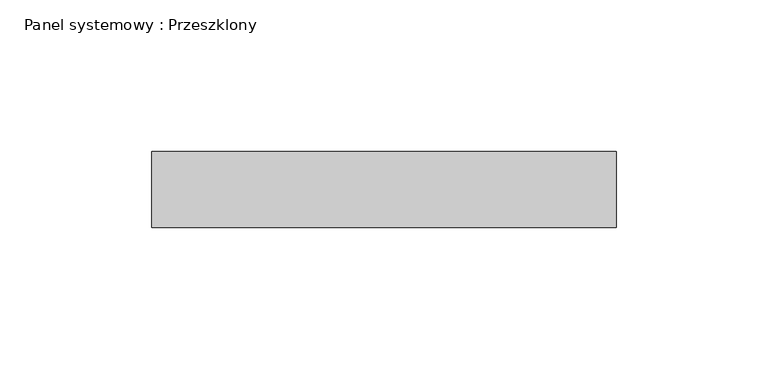
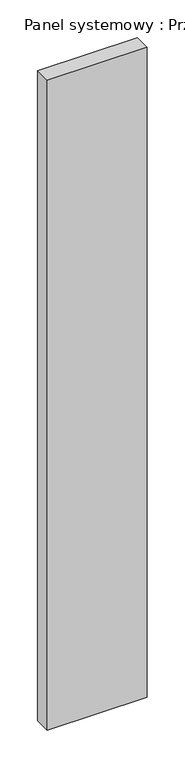
"""IFC4 building model written with IfcOpenShell, lengths in millimetres: plate geometry, Panel systemowy : Przeszklony."""

import ifcopenshell
import ifcopenshell.guid

model = None  # the IFC model being written
_history = None  # IfcOwnerHistory: only IFC2X3 demands one
_inside = {}  # id of a spatial element -> (the spatial element, [elements in it])
_under = {}  # id of a project, library or spatial element -> (it, [spatial elements below it])
_declared = {}  # id of a project -> (the project, [libraries it declares])
_typed = {}  # id of a type object -> (the type object, [elements of that type])
_made_of = {}  # id of a material, layer set ... -> (it, [elements and type objects made of it])


def new_model(schema):
    """Start an empty IFC model of exactly this schema.

    Asked for "IFC4X3", IfcOpenShell would pick the latest addendum, in which some entities
    have other attributes; the version numbers below select the first issue.
    IFC2X3 requires an IfcOwnerHistory on every rooted entity: one is made here for all.
    """
    global model, _history
    if schema == "IFC4X3":
        model = ifcopenshell.file(schema_version=(4, 3, 0, 0))
    else:
        model = ifcopenshell.file(schema=schema)
    _inside.clear()
    _under.clear()
    _declared.clear()
    _typed.clear()
    _made_of.clear()
    _history = None
    if model.schema == "IFC2X3":
        org = make("IfcOrganization", Name="unknown")
        user = make(
            "IfcPersonAndOrganization",
            ThePerson=make("IfcPerson", FamilyName="unknown"),
            TheOrganization=org,
        )
        app = make(
            "IfcApplication",
            ApplicationDeveloper=org,
            Version="unknown",
            ApplicationFullName="unknown",
            ApplicationIdentifier="unknown",
        )
        _history = make(
            "IfcOwnerHistory",
            OwningUser=user,
            OwningApplication=app,
            ChangeAction="ADDED",
            CreationDate=0,
        )
    return model


def make(cls, **values):
    """One entity of the class cls with the attributes given. An attribute that is None is left unset."""
    return model.create_entity(
        cls, **{name: value for name, value in values.items() if value is not None}
    )


def rooted(cls, **values):
    """An entity with a GlobalId (a new one), such as an element, a storey or a relation."""
    return make(cls, GlobalId=ifcopenshell.guid.new(), OwnerHistory=_history, **values)


def si_unit(unit_type, name, prefix=None):
    """IfcSIUnit, for example si_unit("LENGTHUNIT", "METRE", prefix="MILLI")."""
    return make("IfcSIUnit", UnitType=unit_type, Prefix=prefix, Name=name)


def assignment(units):
    """IfcUnitAssignment: the units of a project."""
    return None if units is None else make("IfcUnitAssignment", Units=units)


def point(xyz):
    """IfcCartesianPoint."""
    return None if xyz is None else make("IfcCartesianPoint", Coordinates=xyz)


def direction(xyz):
    """IfcDirection."""
    return None if xyz is None else make("IfcDirection", DirectionRatios=xyz)


def frame(location, z_axis=None, x_axis=None):
    """IfcAxis2Placement3D, a coordinate frame: its origin and axes. An axis left out is left unset."""
    return make(
        "IfcAxis2Placement3D",
        Location=point(location),
        Axis=direction(z_axis),
        RefDirection=direction(x_axis),
    )


def origin():
    """The frame at (0, 0, 0) with its axes left unset."""
    return frame((0.0, 0.0, 0.0))


def origin_with_axes():
    """The frame at (0, 0, 0) with the z axis (0, 0, 1) and the x axis (1, 0, 0) written out."""
    return frame((0.0, 0.0, 0.0), z_axis=(0.0, 0.0, 1.0), x_axis=(1.0, 0.0, 0.0))


def place(relative_to, where):
    """IfcLocalPlacement: puts the frame where relative to a parent placement (None: the world)."""
    return make(
        "IfcLocalPlacement", PlacementRelTo=relative_to, RelativePlacement=where
    )


def context(
    kind, dimensions, precision=None, world=None, true_north=None, identifier=None
):
    """IfcGeometricRepresentationContext, for example the 3D "Model" context."""
    return make(
        "IfcGeometricRepresentationContext",
        ContextIdentifier=identifier,
        ContextType=kind,
        CoordinateSpaceDimension=dimensions,
        Precision=precision,
        WorldCoordinateSystem=world,
        TrueNorth=true_north,
    )


def project(units=None, contexts=None):
    """IfcProject with its units and contexts."""
    return rooted(
        "IfcProject",
        Name="project",
        RepresentationContexts=contexts,
        UnitsInContext=assignment(units),
    )


def spatial(cls, under=None, at=None, **own):
    """A site, building, storey or space (cls), placed at a placement, below another one or the project."""
    s = rooted(cls, ObjectPlacement=at, **own)
    if under is not None:
        _under.setdefault(under.id(), (under, []))[1].append(s)
    return s


def polyline(points):
    """IfcPolyline through the points."""
    return make("IfcPolyline", Points=[point(p) for p in points])


def outline(outer, holes=None, kind="AREA"):
    """IfcArbitraryClosedProfileDef: a profile drawn as a closed curve; with holes, ...WithVoids."""
    if holes is None:
        return make("IfcArbitraryClosedProfileDef", ProfileType=kind, OuterCurve=outer)
    return make(
        "IfcArbitraryProfileDefWithVoids",
        ProfileType=kind,
        OuterCurve=outer,
        InnerCurves=holes,
    )


def extrude(swept, where, along, depth):
    """IfcExtrudedAreaSolid: the profile swept, set in the frame where, extruded along a direction by depth."""
    return make(
        "IfcExtrudedAreaSolid",
        SweptArea=swept,
        Position=where,
        ExtrudedDirection=direction(along),
        Depth=depth,
    )


def shape(context_of_items, identifier, shape_type, items):
    """IfcShapeRepresentation: the items that make up one representation, for example the "Body"."""
    return make(
        "IfcShapeRepresentation",
        ContextOfItems=context_of_items,
        RepresentationIdentifier=identifier,
        RepresentationType=shape_type,
        Items=items,
    )


def source(mapping_origin, context_of_items, identifier, shape_type, items):
    """IfcRepresentationMap: a shape defined once, which mapped items show again and again."""
    return make(
        "IfcRepresentationMap",
        MappingOrigin=mapping_origin,
        MappedRepresentation=shape(context_of_items, identifier, shape_type, items),
    )


def transform(
    local_origin,
    x_axis=None,
    y_axis=None,
    z_axis=None,
    scale=None,
    scale2=None,
    scale3=None,
    uniform=True,
):
    """IfcCartesianTransformationOperator3D, or its non-uniform kind. x_axis, y_axis, z_axis: its Axis1, 2, 3."""
    if uniform:
        return make(
            "IfcCartesianTransformationOperator3D",
            Axis1=direction(x_axis),
            Axis2=direction(y_axis),
            LocalOrigin=point(local_origin),
            Scale=scale,
            Axis3=direction(z_axis),
        )
    return make(
        "IfcCartesianTransformationOperator3DnonUniform",
        Axis1=direction(x_axis),
        Axis2=direction(y_axis),
        LocalOrigin=point(local_origin),
        Scale=scale,
        Axis3=direction(z_axis),
        Scale2=scale2,
        Scale3=scale3,
    )


def mapped(mapping_source, mapping_target):
    """IfcMappedItem: shows the shape of a source again, moved by a transform."""
    return make(
        "IfcMappedItem", MappingSource=mapping_source, MappingTarget=mapping_target
    )


def made_of(thing, what):
    """Note that an element or type object is made of a material, layer set ...; save() writes the relation."""
    if what is not None:
        _made_of.setdefault(what.id(), (what, []))[1].append(thing)
    return thing


def element(
    cls,
    number,
    at=None,
    inside=None,
    cuts=None,
    type_object=None,
    material=None,
    context=None,
    identifier="Body",
    shape_type=None,
    held_by="IfcProductDefinitionShape",
    body=None,
    shapes=None,
    **own,
):
    """One element of the class cls, such as IfcWall. Its Tag is "e" and its number.

    at: its placement. inside: the storey or other place that contains it. cuts: it is an
    opening in that element (IfcRelVoidsElement). A single representation is given by context,
    identifier, shape_type and body (its items); several are given by shapes. held_by: the class
    of the entity that holds the representations. save() writes the other relations.
    """
    e = rooted(cls, Tag="e%d" % number, ObjectPlacement=at, **own)
    if body is not None:
        shapes = [shape(context, identifier, shape_type, body)]
    if shapes is not None:
        e.Representation = make(held_by, Representations=shapes)
    if inside is not None:
        _inside.setdefault(inside.id(), (inside, []))[1].append(e)
    if cuts is not None:
        rooted(
            "IfcRelVoidsElement", RelatingBuildingElement=cuts, RelatedOpeningElement=e
        )
    if type_object is not None:
        _typed.setdefault(type_object.id(), (type_object, []))[1].append(e)
    return made_of(e, material)


def aggregate(whole, parts):
    """IfcRelAggregates: a whole, such as a stair, and the parts it consists of."""
    return rooted("IfcRelAggregates", RelatingObject=whole, RelatedObjects=parts)


def save(model, path):
    """Write the relations noted so far, then the file.

    IfcRelAggregates (storeys below a building ...), IfcRelContainedInSpatialStructure (elements
    in a storey), IfcRelDefinesByType, IfcRelAssociatesMaterial and IfcRelDeclares: one each for
    every whole, place, type object, material and project.
    """
    for whole, parts in _under.values():
        aggregate(whole, parts)
    for where, things in _inside.values():
        rooted(
            "IfcRelContainedInSpatialStructure",
            RelatedElements=things,
            RelatingStructure=where,
        )
    for kind, things in _typed.values():
        rooted("IfcRelDefinesByType", RelatedObjects=things, RelatingType=kind)
    for what, things in _made_of.values():
        rooted("IfcRelAssociatesMaterial", RelatedObjects=things, RelatingMaterial=what)
    for by, libraries in _declared.values():
        rooted("IfcRelDeclares", RelatingContext=by, RelatedDefinitions=libraries)
    model.write(path)


def panel_systemowy_przeszklony_d4e2b898(model_context):
    return source(origin(), model_context, "Body", "SweptSolid", [
        extrude(outline(polyline([(76.5, 24.5), (-76.5, 24.5), (-76.5, 49.5), (76.5, 49.5), (76.5, 24.5)])), origin_with_axes(), (0.0, 0.0, 1.0), 1050.0),
    ])


if __name__ == "__main__":
    model = new_model("IFC4")
    model_context = context("Model", 3, world=origin())
    ifc_project = project(units=[si_unit("LENGTHUNIT", "METRE", prefix="MILLI")], contexts=[model_context])
    site = spatial("IfcSite", under=ifc_project)
    building = spatial("IfcBuilding", under=site)
    placement = place(None, origin())
    panel_systemowy_przeszklony_shape = panel_systemowy_przeszklony_d4e2b898(model_context)
    element("IfcPlate", 1, ObjectType="Panel systemowy : Przeszklony", at=placement, inside=building, context=model_context, shape_type="MappedRepresentation", body=[
        mapped(panel_systemowy_przeszklony_shape, transform((0.0, 0.0, 0.0), x_axis=(1.0, 0.0, 0.0), y_axis=(0.0, 1.0, 0.0), z_axis=(0.0, 0.0, 1.0))),
    ])
    save(model, "model.ifc")
